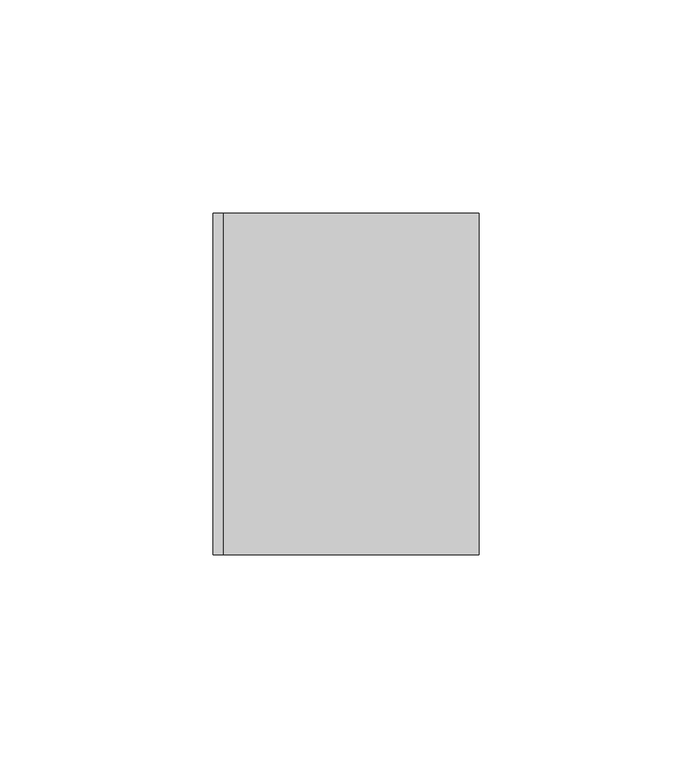
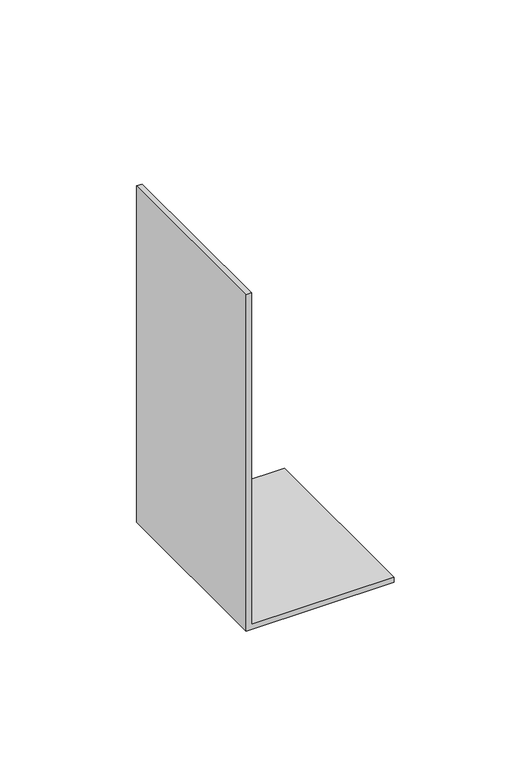
"""IFC4 building model written with IfcOpenShell, lengths in millimetres: proxy geometry."""

from ifc_helpers import new_model, si_unit, frame, origin, place, context, project, spatial, polyline, outline, extrude, source, transform, mapped, element, save


def generic_models_159ed4c4(model_context):
    return source(origin(), model_context, "Body", "SweptSolid", [
        extrude(outline(polyline([(150.0, 0.0), (0.0, 0.0), (0.0, 62.3), (2.3, 62.3), (2.3, 2.3), (150.0, 2.3), (150.0, 0.0)])), frame((0.0, 0.0, 0.0), z_axis=(0.0, 1.0, 0.0), x_axis=(0.0, 0.0, 1.0)), (0.0, 0.0, 1.0), 80.0),
    ])


if __name__ == "__main__":
    model = new_model("IFC4")
    model_context = context("Model", 3, world=origin())
    ifc_project = project(units=[si_unit("LENGTHUNIT", "METRE", prefix="MILLI")], contexts=[model_context])
    site = spatial("IfcSite", under=ifc_project)
    building = spatial("IfcBuilding", under=site)
    placement = place(None, origin())
    generic_models_shape = generic_models_159ed4c4(model_context)
    element("IfcBuildingElementProxy", 1, Name="Generic Models", at=placement, inside=building, context=model_context, shape_type="MappedRepresentation", body=[
        mapped(generic_models_shape, transform((0.0, 0.0, 0.0), x_axis=(1.0, 0.0, 0.0), y_axis=(0.0, 1.0, 0.0), z_axis=(0.0, 0.0, 1.0))),
    ])
    save(model, "model.ifc")
